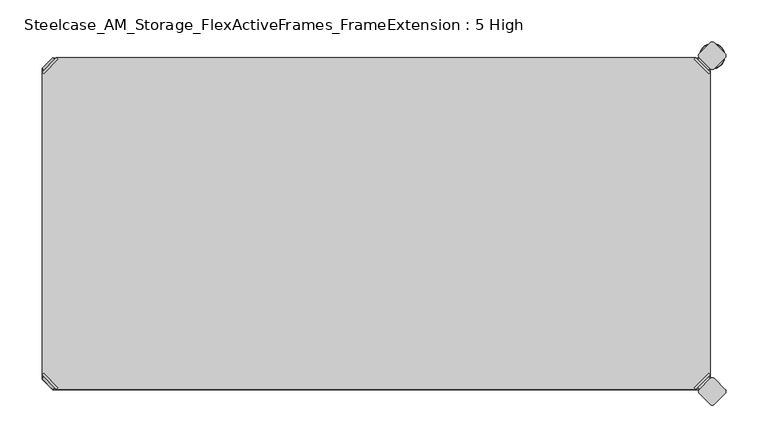
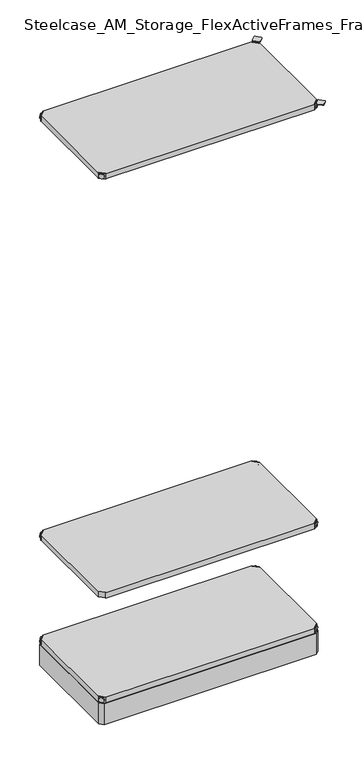
"""IFC4 building model written with IfcOpenShell, lengths in millimetres: furniture geometry, Steelcase_AM_Storage_FlexActiveFrames_FrameExtension : 5 High."""

from ifc_helpers import new_model, si_unit, point, frame, frame_2d, origin, place, context, project, spatial, polyline, circle_curve, ellipse_curve, trimmed, segment, composite_curve, outline, extrude, source, transform, mapped, element, save
from ifc_brep_helpers import plane_surface, cylinder_surface, revolved_surface, advanced_brep


def steelcase_am_storage_flexactiveframes_frameextension_5_high_d950aea3(model_context):
    return source(origin(), model_context, "Body", "SolidModel", [
        advanced_brep(
        [(797.56, -380.2870969, 520.2936), (795.7639488, -378.4910456, 520.2936), (778.5410456, -395.7139488, 520.2936), (780.3370969, -397.51, 520.2936), (780.3370969, -397.51, 498.9576), (797.56, -380.2870969, 498.9576), (795.2347277, -382.6123691, 510.1336), (782.6623691, -395.1847277, 510.1336), (769.8079478, -352.5350447, 499.9736), (752.5850447, -369.7579478, 499.9736), (778.5410456, -395.7139488, 499.9736), (795.7639488, -378.4910456, 499.9736), (769.8079478, -352.5350447, 498.9576), (752.5850447, -369.7579478, 498.9576), (784.9772487, -397.4996073, 510.1336), (797.5496073, -384.9272487, 510.1336)],
        [
            (0, 1),
            (1, 2),
            (2, 3),
            (3, 0),
            (3, 4),
            (4, 5),
            (5, 0),
            (6, 7, circle_curve(frame((788.9485484, -388.8985484, 510.1336), z_axis=(-0.7071067811865446, 0.7071067811865505, 0.0), x_axis=(0.7071067811865505, 0.7071067811865446, 0.0)), 8.89)),
            (7, 6, circle_curve(frame((788.9485484, -388.8985484, 510.1336), z_axis=(-0.7071067811865446, 0.7071067811865505, 0.0), x_axis=(0.7071067811865505, 0.7071067811865446, 0.0)), 8.89)),
            (8, 9, circle_curve(frame((761.1964963, -361.1464963, 499.9736), z_axis=(0.0, 0.0, 1.0), x_axis=(-1.0, 0.0, 0.0)), 12.1784316)),
            (9, 10),
            (10, 11),
            (11, 8),
            (12, 5),
            (4, 13),
            (13, 12, circle_curve(frame((761.1964963, -361.1464963, 498.9576), z_axis=(0.0, 0.0, -1.0), x_axis=(-1.0, 0.0, 0.0)), 12.1784316)),
            (14, 15, circle_curve(frame((791.263428, -391.213428, 510.1336), z_axis=(0.7071067811865446, -0.7071067811865505, 0.0), x_axis=(0.7071067811865505, 0.7071067811865446, 0.0)), 8.89)),
            (15, 14, circle_curve(frame((791.263428, -391.213428, 510.1336), z_axis=(0.7071067811865446, -0.7071067811865505, 0.0), x_axis=(0.7071067811865505, 0.7071067811865446, 0.0)), 8.89)),
            (14, 7),
            (6, 15),
            (1, 11),
            (10, 2),
            (8, 12),
            (13, 9),
        ],
        [
            plane_surface(frame((819.7579872, -402.485084, 520.2936), z_axis=(0.0, 0.0, 1.0000000000000002), x_axis=(-0.7071067811865436, 0.7071067811865516, 0.0))),
            plane_surface(frame((780.3370969, -397.51, 520.2936), z_axis=(0.7071067811865447, -0.7071067811865503, 0.0), x_axis=(0.0, 0.0, -1.0))),
            plane_surface(frame((749.0180647, -361.1464963, 499.9736), z_axis=(0.0, 0.0, 1.0), x_axis=(0.0, -1.0, 0.0))),
            plane_surface(frame((749.0180647, -361.1464963, 498.9576), z_axis=(0.0, 0.0, -1.0), x_axis=(0.0, 1.0, 0.0))),
            plane_surface(frame((797.5496073, -384.9272487, 510.1336), z_axis=(0.7071067811865446, -0.7071067811865505, 0.0), x_axis=(0.0, 0.0, 1.0))),
            cylinder_surface(frame((788.9485484, -388.8985484, 510.1336), z_axis=(0.7071067811865446, -0.7071067811865505, 0.0), x_axis=(0.7071067811865505, 0.7071067811865446, 0.0)), 8.89),
            plane_surface(frame((795.7639488, -378.4910456, 520.2936), z_axis=(-0.7071067811865447, 0.7071067811865503, 0.0), x_axis=(0.0, 0.0, -1.0))),
            cylinder_surface(frame((761.1964963, -361.1464963, 498.9576), z_axis=(0.0, 0.0, 1.0), x_axis=(-1.0, 0.0, 0.0)), 12.1784316),
            plane_surface(frame((797.56, -380.2870969, 520.2936), z_axis=(0.7071067811865516, 0.7071067811865436, 0.0), x_axis=(0.0, 0.0, -1.0))),
            plane_surface(frame((778.5410456, -395.7139488, 520.2936), z_axis=(-0.7071067811865513, -0.7071067811865437, 0.0), x_axis=(0.0, 0.0, -1.0))),
        ],
        [
            (0, [[1, 2, 3, 4]]),
            (1, [[-4, 5, 6, 7], [8, 9]]),
            (2, [[10, 11, 12, 13]]),
            (3, [[14, -6, 15, 16]]),
            (4, [[17, 18]]),
            (5, [[-17, 19, -8, 20]]),
            (5, [[-18, -20, -9, -19]]),
            (6, [[-2, 21, -12, 22]]),
            (7, [[-10, 23, -16, 24]]),
            (8, [[-1, -7, -14, -23, -13, -21]]),
            (9, [[-3, -22, -11, -24, -15, -5]]),
        ],
    ),
        advanced_brep(
        [(797.56, -19.7629031, 520.2936), (780.3370969, -2.54, 520.2936), (778.5410456, -4.3360512, 520.2936), (795.7639488, -21.5589544, 520.2936), (797.56, -19.7629031, 498.9576), (780.3370969, -2.54, 498.9576), (795.2347277, -17.4376309, 510.1336), (782.6623691, -4.8652723, 510.1336), (769.8079478, -47.5149553, 499.9736), (795.7639488, -21.5589544, 499.9736), (778.5410456, -4.3360512, 499.9736), (752.5850447, -30.2920522, 499.9736), (769.8079478, -47.5149553, 498.9576), (752.5850447, -30.2920522, 498.9576), (784.9772487, -2.5503927, 510.1336), (797.5496073, -15.1227513, 510.1336)],
        [
            (0, 1),
            (1, 2),
            (2, 3),
            (3, 0),
            (0, 4),
            (4, 5),
            (5, 1),
            (6, 7, circle_curve(frame((788.9485484, -11.1514516, 510.1336), z_axis=(-0.7071067811865469, -0.7071067811865481, 0.0), x_axis=(0.7071067811865481, -0.7071067811865469, 0.0)), 8.89)),
            (7, 6, circle_curve(frame((788.9485484, -11.1514516, 510.1336), z_axis=(-0.7071067811865469, -0.7071067811865481, 0.0), x_axis=(0.7071067811865481, -0.7071067811865469, 0.0)), 8.89)),
            (8, 9),
            (9, 10),
            (10, 11),
            (11, 8, circle_curve(frame((761.1964963, -38.9035037, 499.9736), z_axis=(0.0, 0.0, 1.0), x_axis=(-1.0, 0.0, 0.0)), 12.1784316)),
            (12, 13, circle_curve(frame((761.1964963, -38.9035037, 498.9576), z_axis=(0.0, 0.0, -1.0), x_axis=(-1.0, 0.0, 0.0)), 12.1784316)),
            (13, 5),
            (4, 12),
            (14, 15, circle_curve(frame((791.263428, -8.836572, 510.1336), z_axis=(0.7071067811865469, 0.7071067811865481, 0.0), x_axis=(0.7071067811865481, -0.7071067811865469, 0.0)), 8.89)),
            (15, 14, circle_curve(frame((791.263428, -8.836572, 510.1336), z_axis=(0.7071067811865469, 0.7071067811865481, 0.0), x_axis=(0.7071067811865481, -0.7071067811865469, 0.0)), 8.89)),
            (15, 6),
            (7, 14),
            (2, 10),
            (9, 3),
            (11, 13),
            (12, 8),
        ],
        [
            plane_surface(frame((819.7579872, 2.435084, 520.2936), z_axis=(0.0, 0.0, 1.0000000000000002), x_axis=(-0.7071067811865459, -0.7071067811865492, 0.0))),
            plane_surface(frame((780.3370969, -2.54, 520.2936), z_axis=(0.707106781186547, 0.707106781186548, 0.0), x_axis=(0.0, 0.0, -1.0))),
            plane_surface(frame((749.0180647, -38.9035037, 499.9736), z_axis=(0.0, 0.0, 1.0), x_axis=(0.0, 1.0, 0.0))),
            plane_surface(frame((749.0180647, -38.9035037, 498.9576), z_axis=(0.0, 0.0, -1.0), x_axis=(0.0, -1.0, 0.0))),
            plane_surface(frame((797.5496073, -15.1227513, 510.1336), z_axis=(0.7071067811865469, 0.7071067811865481, 0.0), x_axis=(0.0, 0.0, 1.0))),
            cylinder_surface(frame((788.9485484, -11.1514516, 510.1336), z_axis=(0.7071067811865469, 0.7071067811865481, 0.0), x_axis=(0.7071067811865481, -0.7071067811865469, 0.0)), 8.89),
            plane_surface(frame((795.7639488, -21.5589544, 520.2936), z_axis=(-0.707106781186547, -0.707106781186548, 0.0), x_axis=(0.0, 0.0, -1.0))),
            cylinder_surface(frame((761.1964963, -38.9035037, 498.9576), z_axis=(0.0, 0.0, 1.0), x_axis=(-1.0, 0.0, 0.0)), 12.1784316),
            plane_surface(frame((797.56, -19.7629031, 520.2936), z_axis=(0.7071067811865492, -0.7071067811865459, 0.0), x_axis=(0.0, 0.0, -1.0))),
            plane_surface(frame((778.5410456, -4.3360512, 520.2936), z_axis=(-0.707106781186549, 0.707106781186546, 0.0), x_axis=(0.0, 0.0, -1.0))),
        ],
        [
            (0, [[1, 2, 3, 4]]),
            (1, [[5, 6, 7, -1], [8, 9]]),
            (2, [[10, 11, 12, 13]]),
            (3, [[14, 15, -6, 16]]),
            (4, [[17, 18]]),
            (5, [[19, -9, 20, -18]]),
            (5, [[-20, -8, -19, -17]]),
            (6, [[21, -11, 22, -3]]),
            (7, [[23, -14, 24, -13]]),
            (8, [[-22, -10, -24, -16, -5, -4]]),
            (9, [[-7, -15, -23, -12, -21, -2]]),
        ],
    ),
        advanced_brep(
        [(2.54, -19.7629031, 520.2936), (4.3360512, -21.5589544, 520.2936), (21.5589544, -4.3360512, 520.2936), (19.7629031, -2.54, 520.2936), (19.7629031, -2.54, 498.9576), (2.54, -19.7629031, 498.9576), (4.8652723, -17.4376309, 510.1336), (17.4376309, -4.8652723, 510.1336), (30.2920522, -47.5149553, 499.9736), (47.5149553, -30.2920522, 499.9736), (21.5589544, -4.3360512, 499.9736), (4.3360512, -21.5589544, 499.9736), (30.2920522, -47.5149553, 498.9576), (47.5149553, -30.2920522, 498.9576), (15.1227513, -2.5503927, 510.1336), (2.5503927, -15.1227513, 510.1336)],
        [
            (0, 1),
            (1, 2),
            (2, 3),
            (3, 0),
            (3, 4),
            (4, 5),
            (5, 0),
            (6, 7, circle_curve(frame((11.1514516, -11.1514516, 510.1336), z_axis=(0.7071067811865469, -0.7071067811865481, 0.0), x_axis=(-0.7071067811865481, -0.7071067811865469, 0.0)), 8.89)),
            (7, 6, circle_curve(frame((11.1514516, -11.1514516, 510.1336), z_axis=(0.7071067811865469, -0.7071067811865481, 0.0), x_axis=(-0.7071067811865481, -0.7071067811865469, 0.0)), 8.89)),
            (8, 9, circle_curve(frame((38.9035037, -38.9035037, 499.9736), z_axis=(0.0, 0.0, 1.0), x_axis=(1.0, 0.0, 0.0)), 12.1784316)),
            (9, 10),
            (10, 11),
            (11, 8),
            (12, 5),
            (4, 13),
            (13, 12, circle_curve(frame((38.9035037, -38.9035037, 498.9576), z_axis=(0.0, 0.0, -1.0), x_axis=(1.0, 0.0, 0.0)), 12.1784316)),
            (14, 15, circle_curve(frame((8.836572, -8.836572, 510.1336), z_axis=(-0.7071067811865469, 0.7071067811865481, 0.0), x_axis=(-0.7071067811865481, -0.7071067811865469, 0.0)), 8.89)),
            (15, 14, circle_curve(frame((8.836572, -8.836572, 510.1336), z_axis=(-0.7071067811865469, 0.7071067811865481, 0.0), x_axis=(-0.7071067811865481, -0.7071067811865469, 0.0)), 8.89)),
            (14, 7),
            (6, 15),
            (1, 11),
            (10, 2),
            (8, 12),
            (13, 9),
        ],
        [
            plane_surface(frame((-19.6579872, 2.435084, 520.2936), z_axis=(0.0, 0.0, 1.0000000000000002), x_axis=(0.7071067811865459, -0.7071067811865492, 0.0))),
            plane_surface(frame((19.7629031, -2.54, 520.2936), z_axis=(-0.707106781186547, 0.707106781186548, 0.0), x_axis=(0.0, 0.0, -1.0))),
            plane_surface(frame((51.0819353, -38.9035037, 499.9736), z_axis=(0.0, 0.0, 1.0), x_axis=(0.0, 1.0, 0.0))),
            plane_surface(frame((51.0819353, -38.9035037, 498.9576), z_axis=(0.0, 0.0, -1.0), x_axis=(0.0, -1.0, 0.0))),
            plane_surface(frame((2.5503927, -15.1227513, 510.1336), z_axis=(-0.7071067811865469, 0.7071067811865481, 0.0), x_axis=(0.0, 0.0, 1.0))),
            cylinder_surface(frame((11.1514516, -11.1514516, 510.1336), z_axis=(-0.7071067811865469, 0.7071067811865481, 0.0), x_axis=(-0.7071067811865481, -0.7071067811865469, 0.0)), 8.89),
            plane_surface(frame((4.3360512, -21.5589544, 520.2936), z_axis=(0.707106781186547, -0.707106781186548, 0.0), x_axis=(0.0, 0.0, -1.0))),
            cylinder_surface(frame((38.9035037, -38.9035037, 498.9576), z_axis=(0.0, 0.0, 1.0), x_axis=(1.0, 0.0, 0.0)), 12.1784316),
            plane_surface(frame((2.54, -19.7629031, 520.2936), z_axis=(-0.7071067811865492, -0.7071067811865459, 0.0), x_axis=(0.0, 0.0, -1.0))),
            plane_surface(frame((21.5589544, -4.3360512, 520.2936), z_axis=(0.707106781186549, 0.707106781186546, 0.0), x_axis=(0.0, 0.0, -1.0))),
        ],
        [
            (0, [[1, 2, 3, 4]]),
            (1, [[-4, 5, 6, 7], [8, 9]]),
            (2, [[10, 11, 12, 13]]),
            (3, [[14, -6, 15, 16]]),
            (4, [[17, 18]]),
            (5, [[-17, 19, -8, 20]]),
            (5, [[-18, -20, -9, -19]]),
            (6, [[-2, 21, -12, 22]]),
            (7, [[-10, 23, -16, 24]]),
            (8, [[-1, -7, -14, -23, -13, -21]]),
            (9, [[-3, -22, -11, -24, -15, -5]]),
        ],
    ),
        extrude(outline(polyline([(19.7629031, -2.54), (780.3370969, -2.54), (778.5410456, -4.3360512), (795.7639488, -21.5589544), (797.56, -19.7629031), (797.56, -380.2870969), (795.7639488, -378.4910456), (778.5410456, -395.7139488), (780.3370969, -397.51), (19.7629031, -397.51), (21.5589544, -395.7139488), (4.3360512, -378.4910456), (2.54, -380.2870969), (2.54, -19.7629031), (4.3360512, -21.5589544), (21.5589544, -4.3360512), (19.7629031, -2.54)])), frame((0.0, 0.0, 499.9736), z_axis=(0.0, 0.0, 1.0), x_axis=(1.0, 0.0, 0.0)), (0.0, 0.0, 1.0), 20.32),
        advanced_brep(
        [(2.54, -380.2870969, 2127.25), (19.7629031, -397.51, 2127.25), (21.5589544, -395.7139488, 2127.25), (4.3360512, -378.4910456, 2127.25), (2.54, -380.2870969, 2105.914), (19.7629031, -397.51, 2105.914), (4.8652723, -382.6123691, 2117.09), (17.4376309, -395.1847277, 2117.09), (30.2920522, -352.5350447, 2106.93), (4.3360512, -378.4910456, 2106.93), (21.5589544, -395.7139488, 2106.93), (47.5149553, -369.7579478, 2106.93), (30.2920522, -352.5350447, 2105.914), (47.5149553, -369.7579478, 2105.914), (15.1227513, -397.4996073, 2117.09), (2.5503927, -384.9272487, 2117.09)],
        [
            (0, 1),
            (1, 2),
            (2, 3),
            (3, 0),
            (0, 4),
            (4, 5),
            (5, 1),
            (6, 7, circle_curve(frame((11.1514516, -388.8985484, 2117.09), z_axis=(0.7071067811865446, 0.7071067811865505, 0.0), x_axis=(-0.7071067811865505, 0.7071067811865446, 0.0)), 8.89)),
            (7, 6, circle_curve(frame((11.1514516, -388.8985484, 2117.09), z_axis=(0.7071067811865446, 0.7071067811865505, 0.0), x_axis=(-0.7071067811865505, 0.7071067811865446, 0.0)), 8.89)),
            (8, 9),
            (9, 10),
            (10, 11),
            (11, 8, circle_curve(frame((38.9035037, -361.1464963, 2106.93), z_axis=(0.0, 0.0, 1.0), x_axis=(1.0, 0.0, 0.0)), 12.1784316)),
            (12, 13, circle_curve(frame((38.9035037, -361.1464963, 2105.914), z_axis=(0.0, 0.0, -1.0), x_axis=(1.0, 0.0, 0.0)), 12.1784316)),
            (13, 5),
            (4, 12),
            (14, 15, circle_curve(frame((8.836572, -391.213428, 2117.09), z_axis=(-0.7071067811865446, -0.7071067811865505, 0.0), x_axis=(-0.7071067811865505, 0.7071067811865446, 0.0)), 8.89)),
            (15, 14, circle_curve(frame((8.836572, -391.213428, 2117.09), z_axis=(-0.7071067811865446, -0.7071067811865505, 0.0), x_axis=(-0.7071067811865505, 0.7071067811865446, 0.0)), 8.89)),
            (15, 6),
            (7, 14),
            (2, 10),
            (9, 3),
            (11, 13),
            (12, 8),
        ],
        [
            plane_surface(frame((-19.6579872, -402.485084, 2127.25), z_axis=(0.0, 0.0, 1.0000000000000002), x_axis=(0.7071067811865436, 0.7071067811865516, 0.0))),
            plane_surface(frame((19.7629031, -397.51, 2127.25), z_axis=(-0.7071067811865447, -0.7071067811865503, 0.0), x_axis=(0.0, 0.0, -1.0))),
            plane_surface(frame((51.0819353, -361.1464963, 2106.93), z_axis=(0.0, 0.0, 1.0), x_axis=(0.0, -1.0, 0.0))),
            plane_surface(frame((51.0819353, -361.1464963, 2105.914), z_axis=(0.0, 0.0, -1.0), x_axis=(0.0, 1.0, 0.0))),
            plane_surface(frame((2.5503927, -384.9272487, 2117.09), z_axis=(-0.7071067811865446, -0.7071067811865505, 0.0), x_axis=(0.0, 0.0, 1.0))),
            cylinder_surface(frame((11.1514516, -388.8985484, 2117.09), z_axis=(-0.7071067811865446, -0.7071067811865505, 0.0), x_axis=(-0.7071067811865505, 0.7071067811865446, 0.0)), 8.89),
            plane_surface(frame((4.3360512, -378.4910456, 2127.25), z_axis=(0.7071067811865447, 0.7071067811865503, 0.0), x_axis=(0.0, 0.0, -1.0))),
            cylinder_surface(frame((38.9035037, -361.1464963, 2105.914), z_axis=(0.0, 0.0, 1.0), x_axis=(1.0, 0.0, 0.0)), 12.1784316),
            plane_surface(frame((2.54, -380.2870969, 2127.25), z_axis=(-0.7071067811865516, 0.7071067811865436, 0.0), x_axis=(0.0, 0.0, -1.0))),
            plane_surface(frame((21.5589544, -395.7139488, 2127.25), z_axis=(0.7071067811865513, -0.7071067811865437, 0.0), x_axis=(0.0, 0.0, -1.0))),
        ],
        [
            (0, [[1, 2, 3, 4]]),
            (1, [[5, 6, 7, -1], [8, 9]]),
            (2, [[10, 11, 12, 13]]),
            (3, [[14, 15, -6, 16]]),
            (4, [[17, 18]]),
            (5, [[19, -9, 20, -18]]),
            (5, [[-20, -8, -19, -17]]),
            (6, [[21, -11, 22, -3]]),
            (7, [[23, -14, 24, -13]]),
            (8, [[-22, -10, -24, -16, -5, -4]]),
            (9, [[-7, -15, -23, -12, -21, -2]]),
        ],
    ),
        advanced_brep(
        [(797.56, -380.2870969, 2127.25), (795.7639488, -378.4910456, 2127.25), (778.5410456, -395.7139488, 2127.25), (780.3370969, -397.51, 2127.25), (780.3370969, -397.51, 2105.914), (797.56, -380.2870969, 2105.914), (795.2347277, -382.6123691, 2117.09), (782.6623691, -395.1847277, 2117.09), (769.8079478, -352.5350447, 2106.93), (752.5850447, -369.7579478, 2106.93), (778.5410456, -395.7139488, 2106.93), (795.7639488, -378.4910456, 2106.93), (769.8079478, -352.5350447, 2105.914), (752.5850447, -369.7579478, 2105.914), (784.9772487, -397.4996073, 2117.09), (797.5496073, -384.9272487, 2117.09)],
        [
            (0, 1),
            (1, 2),
            (2, 3),
            (3, 0),
            (3, 4),
            (4, 5),
            (5, 0),
            (6, 7, circle_curve(frame((788.9485484, -388.8985484, 2117.09), z_axis=(-0.7071067811865446, 0.7071067811865505, 0.0), x_axis=(0.7071067811865505, 0.7071067811865446, 0.0)), 8.89)),
            (7, 6, circle_curve(frame((788.9485484, -388.8985484, 2117.09), z_axis=(-0.7071067811865446, 0.7071067811865505, 0.0), x_axis=(0.7071067811865505, 0.7071067811865446, 0.0)), 8.89)),
            (8, 9, circle_curve(frame((761.1964963, -361.1464963, 2106.93), z_axis=(0.0, 0.0, 1.0), x_axis=(-1.0, 0.0, 0.0)), 12.1784316)),
            (9, 10),
            (10, 11),
            (11, 8),
            (12, 5),
            (4, 13),
            (13, 12, circle_curve(frame((761.1964963, -361.1464963, 2105.914), z_axis=(0.0, 0.0, -1.0), x_axis=(-1.0, 0.0, 0.0)), 12.1784316)),
            (14, 15, circle_curve(frame((791.263428, -391.213428, 2117.09), z_axis=(0.7071067811865446, -0.7071067811865505, 0.0), x_axis=(0.7071067811865505, 0.7071067811865446, 0.0)), 8.89)),
            (15, 14, circle_curve(frame((791.263428, -391.213428, 2117.09), z_axis=(0.7071067811865446, -0.7071067811865505, 0.0), x_axis=(0.7071067811865505, 0.7071067811865446, 0.0)), 8.89)),
            (14, 7),
            (6, 15),
            (1, 11),
            (10, 2),
            (8, 12),
            (13, 9),
        ],
        [
            plane_surface(frame((819.7579872, -402.485084, 2127.25), z_axis=(0.0, 0.0, 1.0000000000000002), x_axis=(-0.7071067811865436, 0.7071067811865516, 0.0))),
            plane_surface(frame((780.3370969, -397.51, 2127.25), z_axis=(0.7071067811865447, -0.7071067811865503, 0.0), x_axis=(0.0, 0.0, -1.0))),
            plane_surface(frame((749.0180647, -361.1464963, 2106.93), z_axis=(0.0, 0.0, 1.0), x_axis=(0.0, -1.0, 0.0))),
            plane_surface(frame((749.0180647, -361.1464963, 2105.914), z_axis=(0.0, 0.0, -1.0), x_axis=(0.0, 1.0, 0.0))),
            plane_surface(frame((797.5496073, -384.9272487, 2117.09), z_axis=(0.7071067811865446, -0.7071067811865505, 0.0), x_axis=(0.0, 0.0, 1.0))),
            cylinder_surface(frame((788.9485484, -388.8985484, 2117.09), z_axis=(0.7071067811865446, -0.7071067811865505, 0.0), x_axis=(0.7071067811865505, 0.7071067811865446, 0.0)), 8.89),
            plane_surface(frame((795.7639488, -378.4910456, 2127.25), z_axis=(-0.7071067811865447, 0.7071067811865503, 0.0), x_axis=(0.0, 0.0, -1.0))),
            cylinder_surface(frame((761.1964963, -361.1464963, 2105.914), z_axis=(0.0, 0.0, 1.0), x_axis=(-1.0, 0.0, 0.0)), 12.1784316),
            plane_surface(frame((797.56, -380.2870969, 2127.25), z_axis=(0.7071067811865516, 0.7071067811865436, 0.0), x_axis=(0.0, 0.0, -1.0))),
            plane_surface(frame((778.5410456, -395.7139488, 2127.25), z_axis=(-0.7071067811865513, -0.7071067811865437, 0.0), x_axis=(0.0, 0.0, -1.0))),
        ],
        [
            (0, [[1, 2, 3, 4]]),
            (1, [[-4, 5, 6, 7], [8, 9]]),
            (2, [[10, 11, 12, 13]]),
            (3, [[14, -6, 15, 16]]),
            (4, [[17, 18]]),
            (5, [[-17, 19, -8, 20]]),
            (5, [[-18, -20, -9, -19]]),
            (6, [[-2, 21, -12, 22]]),
            (7, [[-10, 23, -16, 24]]),
            (8, [[-1, -7, -14, -23, -13, -21]]),
            (9, [[-3, -22, -11, -24, -15, -5]]),
        ],
    ),
        advanced_brep(
        [(797.56, -19.7629031, 2127.25), (780.3370969, -2.54, 2127.25), (778.5410456, -4.3360512, 2127.25), (795.7639488, -21.5589544, 2127.25), (797.56, -19.7629031, 2105.914), (780.3370969, -2.54, 2105.914), (795.2347277, -17.4376309, 2117.09), (782.6623691, -4.8652723, 2117.09), (769.8079478, -47.5149553, 2106.93), (795.7639488, -21.5589544, 2106.93), (778.5410456, -4.3360512, 2106.93), (752.5850447, -30.2920522, 2106.93), (769.8079478, -47.5149553, 2105.914), (752.5850447, -30.2920522, 2105.914), (784.9772487, -2.5503927, 2117.09), (797.5496073, -15.1227513, 2117.09)],
        [
            (0, 1),
            (1, 2),
            (2, 3),
            (3, 0),
            (0, 4),
            (4, 5),
            (5, 1),
            (6, 7, circle_curve(frame((788.9485484, -11.1514516, 2117.09), z_axis=(-0.7071067811865469, -0.7071067811865481, 0.0), x_axis=(0.7071067811865481, -0.7071067811865469, 0.0)), 8.89)),
            (7, 6, circle_curve(frame((788.9485484, -11.1514516, 2117.09), z_axis=(-0.7071067811865469, -0.7071067811865481, 0.0), x_axis=(0.7071067811865481, -0.7071067811865469, 0.0)), 8.89)),
            (8, 9),
            (9, 10),
            (10, 11),
            (11, 8, circle_curve(frame((761.1964963, -38.9035037, 2106.93), z_axis=(0.0, 0.0, 1.0), x_axis=(-1.0, 0.0, 0.0)), 12.1784316)),
            (12, 13, circle_curve(frame((761.1964963, -38.9035037, 2105.914), z_axis=(0.0, 0.0, -1.0), x_axis=(-1.0, 0.0, 0.0)), 12.1784316)),
            (13, 5),
            (4, 12),
            (14, 15, circle_curve(frame((791.263428, -8.836572, 2117.09), z_axis=(0.7071067811865469, 0.7071067811865481, 0.0), x_axis=(0.7071067811865481, -0.7071067811865469, 0.0)), 8.89)),
            (15, 14, circle_curve(frame((791.263428, -8.836572, 2117.09), z_axis=(0.7071067811865469, 0.7071067811865481, 0.0), x_axis=(0.7071067811865481, -0.7071067811865469, 0.0)), 8.89)),
            (15, 6),
            (7, 14),
            (2, 10),
            (9, 3),
            (11, 13),
            (12, 8),
        ],
        [
            plane_surface(frame((819.7579872, 2.435084, 2127.25), z_axis=(0.0, 0.0, 1.0000000000000002), x_axis=(-0.7071067811865459, -0.7071067811865492, 0.0))),
            plane_surface(frame((780.3370969, -2.54, 2127.25), z_axis=(0.707106781186547, 0.707106781186548, 0.0), x_axis=(0.0, 0.0, -1.0))),
            plane_surface(frame((749.0180647, -38.9035037, 2106.93), z_axis=(0.0, 0.0, 1.0), x_axis=(0.0, 1.0, 0.0))),
            plane_surface(frame((749.0180647, -38.9035037, 2105.914), z_axis=(0.0, 0.0, -1.0), x_axis=(0.0, -1.0, 0.0))),
            plane_surface(frame((797.5496073, -15.1227513, 2117.09), z_axis=(0.7071067811865469, 0.7071067811865481, 0.0), x_axis=(0.0, 0.0, 1.0))),
            cylinder_surface(frame((788.9485484, -11.1514516, 2117.09), z_axis=(0.7071067811865469, 0.7071067811865481, 0.0), x_axis=(0.7071067811865481, -0.7071067811865469, 0.0)), 8.89),
            plane_surface(frame((795.7639488, -21.5589544, 2127.25), z_axis=(-0.707106781186547, -0.707106781186548, 0.0), x_axis=(0.0, 0.0, -1.0))),
            cylinder_surface(frame((761.1964963, -38.9035037, 2105.914), z_axis=(0.0, 0.0, 1.0), x_axis=(-1.0, 0.0, 0.0)), 12.1784316),
            plane_surface(frame((797.56, -19.7629031, 2127.25), z_axis=(0.7071067811865492, -0.7071067811865459, 0.0), x_axis=(0.0, 0.0, -1.0))),
            plane_surface(frame((778.5410456, -4.3360512, 2127.25), z_axis=(-0.707106781186549, 0.707106781186546, 0.0), x_axis=(0.0, 0.0, -1.0))),
        ],
        [
            (0, [[1, 2, 3, 4]]),
            (1, [[5, 6, 7, -1], [8, 9]]),
            (2, [[10, 11, 12, 13]]),
            (3, [[14, 15, -6, 16]]),
            (4, [[17, 18]]),
            (5, [[19, -9, 20, -18]]),
            (5, [[-20, -8, -19, -17]]),
            (6, [[21, -11, 22, -3]]),
            (7, [[23, -14, 24, -13]]),
            (8, [[-22, -10, -24, -16, -5, -4]]),
            (9, [[-7, -15, -23, -12, -21, -2]]),
        ],
    ),
        advanced_brep(
        [(2.54, -19.7629031, 2127.25), (4.3360512, -21.5589544, 2127.25), (21.5589544, -4.3360512, 2127.25), (19.7629031, -2.54, 2127.25), (19.7629031, -2.54, 2105.914), (2.54, -19.7629031, 2105.914), (4.8652723, -17.4376309, 2117.09), (17.4376309, -4.8652723, 2117.09), (30.2920522, -47.5149553, 2106.93), (47.5149553, -30.2920522, 2106.93), (21.5589544, -4.3360512, 2106.93), (4.3360512, -21.5589544, 2106.93), (30.2920522, -47.5149553, 2105.914), (47.5149553, -30.2920522, 2105.914), (15.1227513, -2.5503927, 2117.09), (2.5503927, -15.1227513, 2117.09)],
        [
            (0, 1),
            (1, 2),
            (2, 3),
            (3, 0),
            (3, 4),
            (4, 5),
            (5, 0),
            (6, 7, circle_curve(frame((11.1514516, -11.1514516, 2117.09), z_axis=(0.7071067811865469, -0.7071067811865481, 0.0), x_axis=(-0.7071067811865481, -0.7071067811865469, 0.0)), 8.89)),
            (7, 6, circle_curve(frame((11.1514516, -11.1514516, 2117.09), z_axis=(0.7071067811865469, -0.7071067811865481, 0.0), x_axis=(-0.7071067811865481, -0.7071067811865469, 0.0)), 8.89)),
            (8, 9, circle_curve(frame((38.9035037, -38.9035037, 2106.93), z_axis=(0.0, 0.0, 1.0), x_axis=(1.0, 0.0, 0.0)), 12.1784316)),
            (9, 10),
            (10, 11),
            (11, 8),
            (12, 5),
            (4, 13),
            (13, 12, circle_curve(frame((38.9035037, -38.9035037, 2105.914), z_axis=(0.0, 0.0, -1.0), x_axis=(1.0, 0.0, 0.0)), 12.1784316)),
            (14, 15, circle_curve(frame((8.836572, -8.836572, 2117.09), z_axis=(-0.7071067811865469, 0.7071067811865481, 0.0), x_axis=(-0.7071067811865481, -0.7071067811865469, 0.0)), 8.89)),
            (15, 14, circle_curve(frame((8.836572, -8.836572, 2117.09), z_axis=(-0.7071067811865469, 0.7071067811865481, 0.0), x_axis=(-0.7071067811865481, -0.7071067811865469, 0.0)), 8.89)),
            (14, 7),
            (6, 15),
            (1, 11),
            (10, 2),
            (8, 12),
            (13, 9),
        ],
        [
            plane_surface(frame((-19.6579872, 2.435084, 2127.25), z_axis=(0.0, 0.0, 1.0000000000000002), x_axis=(0.7071067811865459, -0.7071067811865492, 0.0))),
            plane_surface(frame((19.7629031, -2.54, 2127.25), z_axis=(-0.707106781186547, 0.707106781186548, 0.0), x_axis=(0.0, 0.0, -1.0))),
            plane_surface(frame((51.0819353, -38.9035037, 2106.93), z_axis=(0.0, 0.0, 1.0), x_axis=(0.0, 1.0, 0.0))),
            plane_surface(frame((51.0819353, -38.9035037, 2105.914), z_axis=(0.0, 0.0, -1.0), x_axis=(0.0, -1.0, 0.0))),
            plane_surface(frame((2.5503927, -15.1227513, 2117.09), z_axis=(-0.7071067811865469, 0.7071067811865481, 0.0), x_axis=(0.0, 0.0, 1.0))),
            cylinder_surface(frame((11.1514516, -11.1514516, 2117.09), z_axis=(-0.7071067811865469, 0.7071067811865481, 0.0), x_axis=(-0.7071067811865481, -0.7071067811865469, 0.0)), 8.89),
            plane_surface(frame((4.3360512, -21.5589544, 2127.25), z_axis=(0.707106781186547, -0.707106781186548, 0.0), x_axis=(0.0, 0.0, -1.0))),
            cylinder_surface(frame((38.9035037, -38.9035037, 2105.914), z_axis=(0.0, 0.0, 1.0), x_axis=(1.0, 0.0, 0.0)), 12.1784316),
            plane_surface(frame((2.54, -19.7629031, 2127.25), z_axis=(-0.7071067811865492, -0.7071067811865459, 0.0), x_axis=(0.0, 0.0, -1.0))),
            plane_surface(frame((21.5589544, -4.3360512, 2127.25), z_axis=(0.707106781186549, 0.707106781186546, 0.0), x_axis=(0.0, 0.0, -1.0))),
        ],
        [
            (0, [[1, 2, 3, 4]]),
            (1, [[-4, 5, 6, 7], [8, 9]]),
            (2, [[10, 11, 12, 13]]),
            (3, [[14, -6, 15, 16]]),
            (4, [[17, 18]]),
            (5, [[-17, 19, -8, 20]]),
            (5, [[-18, -20, -9, -19]]),
            (6, [[-2, 21, -12, 22]]),
            (7, [[-10, 23, -16, 24]]),
            (8, [[-1, -7, -14, -23, -13, -21]]),
            (9, [[-3, -22, -11, -24, -15, -5]]),
        ],
    ),
        extrude(outline(polyline([(19.7629031, -2.54), (780.3370969, -2.54), (778.5410456, -4.3360512), (795.7639488, -21.5589544), (797.56, -19.7629031), (797.56, -380.2870969), (795.7639488, -378.4910456), (778.5410456, -395.7139488), (780.3370969, -397.51), (19.7629031, -397.51), (21.5589544, -395.7139488), (4.3360512, -378.4910456), (2.54, -380.2870969), (2.54, -19.7629031), (4.3360512, -21.5589544), (21.5589544, -4.3360512), (19.7629031, -2.54)])), frame((0.0, 0.0, 2106.93), z_axis=(0.0, 0.0, 1.0), x_axis=(1.0, 0.0, 0.0)), (0.0, 0.0, 1.0), 20.32),
        advanced_brep(
        [(2.54, -380.2870969, 118.9736), (19.7629031, -397.51, 118.9736), (21.5589544, -395.7139488, 118.9736), (4.3360512, -378.4910456, 118.9736), (2.54, -380.2870969, 97.6376), (19.7629031, -397.51, 97.6376), (4.8652723, -382.6123691, 108.8136), (17.4376309, -395.1847277, 108.8136), (30.2920522, -352.5350447, 98.6536), (4.3360512, -378.4910456, 98.6536), (21.5589544, -395.7139488, 98.6536), (47.5149553, -369.7579478, 98.6536), (30.2920522, -352.5350447, 97.6376), (47.5149553, -369.7579478, 97.6376), (15.1227513, -397.4996073, 108.8136), (2.5503927, -384.9272487, 108.8136)],
        [
            (0, 1),
            (1, 2),
            (2, 3),
            (3, 0),
            (0, 4),
            (4, 5),
            (5, 1),
            (6, 7, circle_curve(frame((11.1514516, -388.8985484, 108.8136), z_axis=(0.7071067811865446, 0.7071067811865505, 0.0), x_axis=(-0.7071067811865505, 0.7071067811865446, 0.0)), 8.89)),
            (7, 6, circle_curve(frame((11.1514516, -388.8985484, 108.8136), z_axis=(0.7071067811865446, 0.7071067811865505, 0.0), x_axis=(-0.7071067811865505, 0.7071067811865446, 0.0)), 8.89)),
            (8, 9),
            (9, 10),
            (10, 11),
            (11, 8, circle_curve(frame((38.9035037, -361.1464963, 98.6536), z_axis=(0.0, 0.0, 1.0), x_axis=(1.0, 0.0, 0.0)), 12.1784316)),
            (12, 13, circle_curve(frame((38.9035037, -361.1464963, 97.6376), z_axis=(0.0, 0.0, -1.0), x_axis=(1.0, 0.0, 0.0)), 12.1784316)),
            (13, 5),
            (4, 12),
            (14, 15, circle_curve(frame((8.836572, -391.213428, 108.8136), z_axis=(-0.7071067811865446, -0.7071067811865505, 0.0), x_axis=(-0.7071067811865505, 0.7071067811865446, 0.0)), 8.89)),
            (15, 14, circle_curve(frame((8.836572, -391.213428, 108.8136), z_axis=(-0.7071067811865446, -0.7071067811865505, 0.0), x_axis=(-0.7071067811865505, 0.7071067811865446, 0.0)), 8.89)),
            (15, 6),
            (7, 14),
            (2, 10),
            (9, 3),
            (11, 13),
            (12, 8),
        ],
        [
            plane_surface(frame((-19.6579872, -402.485084, 118.9736), z_axis=(0.0, 0.0, 1.0000000000000002), x_axis=(0.7071067811865436, 0.7071067811865516, 0.0))),
            plane_surface(frame((19.7629031, -397.51, 118.9736), z_axis=(-0.7071067811865447, -0.7071067811865503, 0.0), x_axis=(0.0, 0.0, -1.0))),
            plane_surface(frame((51.0819353, -361.1464963, 98.6536), z_axis=(0.0, 0.0, 1.0), x_axis=(0.0, -1.0, 0.0))),
            plane_surface(frame((51.0819353, -361.1464963, 97.6376), z_axis=(0.0, 0.0, -1.0), x_axis=(0.0, 1.0, 0.0))),
            plane_surface(frame((2.5503927, -384.9272487, 108.8136), z_axis=(-0.7071067811865446, -0.7071067811865505, 0.0), x_axis=(0.0, 0.0, 1.0))),
            cylinder_surface(frame((11.1514516, -388.8985484, 108.8136), z_axis=(-0.7071067811865446, -0.7071067811865505, 0.0), x_axis=(-0.7071067811865505, 0.7071067811865446, 0.0)), 8.89),
            plane_surface(frame((4.3360512, -378.4910456, 118.9736), z_axis=(0.7071067811865447, 0.7071067811865503, 0.0), x_axis=(0.0, 0.0, -1.0))),
            cylinder_surface(frame((38.9035037, -361.1464963, 97.6376), z_axis=(0.0, 0.0, 1.0), x_axis=(1.0, 0.0, 0.0)), 12.1784316),
            plane_surface(frame((2.54, -380.2870969, 118.9736), z_axis=(-0.7071067811865516, 0.7071067811865436, 0.0), x_axis=(0.0, 0.0, -1.0))),
            plane_surface(frame((21.5589544, -395.7139488, 118.9736), z_axis=(0.7071067811865513, -0.7071067811865437, 0.0), x_axis=(0.0, 0.0, -1.0))),
        ],
        [
            (0, [[1, 2, 3, 4]]),
            (1, [[5, 6, 7, -1], [8, 9]]),
            (2, [[10, 11, 12, 13]]),
            (3, [[14, 15, -6, 16]]),
            (4, [[17, 18]]),
            (5, [[19, -9, 20, -18]]),
            (5, [[-20, -8, -19, -17]]),
            (6, [[21, -11, 22, -3]]),
            (7, [[23, -14, 24, -13]]),
            (8, [[-22, -10, -24, -16, -5, -4]]),
            (9, [[-7, -15, -23, -12, -21, -2]]),
        ],
    ),
        advanced_brep(
        [(797.56, -380.2870969, 118.9736), (795.7639488, -378.4910456, 118.9736), (778.5410456, -395.7139488, 118.9736), (780.3370969, -397.51, 118.9736), (780.3370969, -397.51, 97.6376), (797.56, -380.2870969, 97.6376), (795.2347277, -382.6123691, 108.8136), (782.6623691, -395.1847277, 108.8136), (769.8079478, -352.5350447, 98.6536), (752.5850447, -369.7579478, 98.6536), (778.5410456, -395.7139488, 98.6536), (795.7639488, -378.4910456, 98.6536), (769.8079478, -352.5350447, 97.6376), (752.5850447, -369.7579478, 97.6376), (784.9772487, -397.4996073, 108.8136), (797.5496073, -384.9272487, 108.8136)],
        [
            (0, 1),
            (1, 2),
            (2, 3),
            (3, 0),
            (3, 4),
            (4, 5),
            (5, 0),
            (6, 7, circle_curve(frame((788.9485484, -388.8985484, 108.8136), z_axis=(-0.7071067811865446, 0.7071067811865505, 0.0), x_axis=(0.7071067811865505, 0.7071067811865446, 0.0)), 8.89)),
            (7, 6, circle_curve(frame((788.9485484, -388.8985484, 108.8136), z_axis=(-0.7071067811865446, 0.7071067811865505, 0.0), x_axis=(0.7071067811865505, 0.7071067811865446, 0.0)), 8.89)),
            (8, 9, circle_curve(frame((761.1964963, -361.1464963, 98.6536), z_axis=(0.0, 0.0, 1.0), x_axis=(-1.0, 0.0, 0.0)), 12.1784316)),
            (9, 10),
            (10, 11),
            (11, 8),
            (12, 5),
            (4, 13),
            (13, 12, circle_curve(frame((761.1964963, -361.1464963, 97.6376), z_axis=(0.0, 0.0, -1.0), x_axis=(-1.0, 0.0, 0.0)), 12.1784316)),
            (14, 15, circle_curve(frame((791.263428, -391.213428, 108.8136), z_axis=(0.7071067811865446, -0.7071067811865505, 0.0), x_axis=(0.7071067811865505, 0.7071067811865446, 0.0)), 8.89)),
            (15, 14, circle_curve(frame((791.263428, -391.213428, 108.8136), z_axis=(0.7071067811865446, -0.7071067811865505, 0.0), x_axis=(0.7071067811865505, 0.7071067811865446, 0.0)), 8.89)),
            (14, 7),
            (6, 15),
            (1, 11),
            (10, 2),
            (8, 12),
            (13, 9),
        ],
        [
            plane_surface(frame((819.7579872, -402.485084, 118.9736), z_axis=(0.0, 0.0, 1.0000000000000002), x_axis=(-0.7071067811865436, 0.7071067811865516, 0.0))),
            plane_surface(frame((780.3370969, -397.51, 118.9736), z_axis=(0.7071067811865447, -0.7071067811865503, 0.0), x_axis=(0.0, 0.0, -1.0))),
            plane_surface(frame((749.0180647, -361.1464963, 98.6536), z_axis=(0.0, 0.0, 1.0), x_axis=(0.0, -1.0, 0.0))),
            plane_surface(frame((749.0180647, -361.1464963, 97.6376), z_axis=(0.0, 0.0, -1.0), x_axis=(0.0, 1.0, 0.0))),
            plane_surface(frame((797.5496073, -384.9272487, 108.8136), z_axis=(0.7071067811865446, -0.7071067811865505, 0.0), x_axis=(0.0, 0.0, 1.0))),
            cylinder_surface(frame((788.9485484, -388.8985484, 108.8136), z_axis=(0.7071067811865446, -0.7071067811865505, 0.0), x_axis=(0.7071067811865505, 0.7071067811865446, 0.0)), 8.89),
            plane_surface(frame((795.7639488, -378.4910456, 118.9736), z_axis=(-0.7071067811865447, 0.7071067811865503, 0.0), x_axis=(0.0, 0.0, -1.0))),
            cylinder_surface(frame((761.1964963, -361.1464963, 97.6376), z_axis=(0.0, 0.0, 1.0), x_axis=(-1.0, 0.0, 0.0)), 12.1784316),
            plane_surface(frame((797.56, -380.2870969, 118.9736), z_axis=(0.7071067811865516, 0.7071067811865436, 0.0), x_axis=(0.0, 0.0, -1.0))),
            plane_surface(frame((778.5410456, -395.7139488, 118.9736), z_axis=(-0.7071067811865513, -0.7071067811865437, 0.0), x_axis=(0.0, 0.0, -1.0))),
        ],
        [
            (0, [[1, 2, 3, 4]]),
            (1, [[-4, 5, 6, 7], [8, 9]]),
            (2, [[10, 11, 12, 13]]),
            (3, [[14, -6, 15, 16]]),
            (4, [[17, 18]]),
            (5, [[-17, 19, -8, 20]]),
            (5, [[-18, -20, -9, -19]]),
            (6, [[-2, 21, -12, 22]]),
            (7, [[-10, 23, -16, 24]]),
            (8, [[-1, -7, -14, -23, -13, -21]]),
            (9, [[-3, -22, -11, -24, -15, -5]]),
        ],
    ),
        advanced_brep(
        [(797.56, -19.7629031, 118.9736), (780.3370969, -2.54, 118.9736), (778.5410456, -4.3360512, 118.9736), (795.7639488, -21.5589544, 118.9736), (797.56, -19.7629031, 97.6376), (780.3370969, -2.54, 97.6376), (795.2347277, -17.4376309, 108.8136), (782.6623691, -4.8652723, 108.8136), (769.8079478, -47.5149553, 98.6536), (795.7639488, -21.5589544, 98.6536), (778.5410456, -4.3360512, 98.6536), (752.5850447, -30.2920522, 98.6536), (769.8079478, -47.5149553, 97.6376), (752.5850447, -30.2920522, 97.6376), (784.9772487, -2.5503927, 108.8136), (797.5496073, -15.1227513, 108.8136)],
        [
            (0, 1),
            (1, 2),
            (2, 3),
            (3, 0),
            (0, 4),
            (4, 5),
            (5, 1),
            (6, 7, circle_curve(frame((788.9485484, -11.1514516, 108.8136), z_axis=(-0.7071067811865469, -0.7071067811865481, 0.0), x_axis=(0.7071067811865481, -0.7071067811865469, 0.0)), 8.89)),
            (7, 6, circle_curve(frame((788.9485484, -11.1514516, 108.8136), z_axis=(-0.7071067811865469, -0.7071067811865481, 0.0), x_axis=(0.7071067811865481, -0.7071067811865469, 0.0)), 8.89)),
            (8, 9),
            (9, 10),
            (10, 11),
            (11, 8, circle_curve(frame((761.1964963, -38.9035037, 98.6536), z_axis=(0.0, 0.0, 1.0), x_axis=(-1.0, 0.0, 0.0)), 12.1784316)),
            (12, 13, circle_curve(frame((761.1964963, -38.9035037, 97.6376), z_axis=(0.0, 0.0, -1.0), x_axis=(-1.0, 0.0, 0.0)), 12.1784316)),
            (13, 5),
            (4, 12),
            (14, 15, circle_curve(frame((791.263428, -8.836572, 108.8136), z_axis=(0.7071067811865469, 0.7071067811865481, 0.0), x_axis=(0.7071067811865481, -0.7071067811865469, 0.0)), 8.89)),
            (15, 14, circle_curve(frame((791.263428, -8.836572, 108.8136), z_axis=(0.7071067811865469, 0.7071067811865481, 0.0), x_axis=(0.7071067811865481, -0.7071067811865469, 0.0)), 8.89)),
            (15, 6),
            (7, 14),
            (2, 10),
            (9, 3),
            (11, 13),
            (12, 8),
        ],
        [
            plane_surface(frame((819.7579872, 2.435084, 118.9736), z_axis=(0.0, 0.0, 1.0000000000000002), x_axis=(-0.7071067811865459, -0.7071067811865492, 0.0))),
            plane_surface(frame((780.3370969, -2.54, 118.9736), z_axis=(0.707106781186547, 0.707106781186548, 0.0), x_axis=(0.0, 0.0, -1.0))),
            plane_surface(frame((749.0180647, -38.9035037, 98.6536), z_axis=(0.0, 0.0, 1.0), x_axis=(0.0, 1.0, 0.0))),
            plane_surface(frame((749.0180647, -38.9035037, 97.6376), z_axis=(0.0, 0.0, -1.0), x_axis=(0.0, -1.0, 0.0))),
            plane_surface(frame((797.5496073, -15.1227513, 108.8136), z_axis=(0.7071067811865469, 0.7071067811865481, 0.0), x_axis=(0.0, 0.0, 1.0))),
            cylinder_surface(frame((788.9485484, -11.1514516, 108.8136), z_axis=(0.7071067811865469, 0.7071067811865481, 0.0), x_axis=(0.7071067811865481, -0.7071067811865469, 0.0)), 8.89),
            plane_surface(frame((795.7639488, -21.5589544, 118.9736), z_axis=(-0.707106781186547, -0.707106781186548, 0.0), x_axis=(0.0, 0.0, -1.0))),
            cylinder_surface(frame((761.1964963, -38.9035037, 97.6376), z_axis=(0.0, 0.0, 1.0), x_axis=(-1.0, 0.0, 0.0)), 12.1784316),
            plane_surface(frame((797.56, -19.7629031, 118.9736), z_axis=(0.7071067811865492, -0.7071067811865459, 0.0), x_axis=(0.0, 0.0, -1.0))),
            plane_surface(frame((778.5410456, -4.3360512, 118.9736), z_axis=(-0.707106781186549, 0.707106781186546, 0.0), x_axis=(0.0, 0.0, -1.0))),
        ],
        [
            (0, [[1, 2, 3, 4]]),
            (1, [[5, 6, 7, -1], [8, 9]]),
            (2, [[10, 11, 12, 13]]),
            (3, [[14, 15, -6, 16]]),
            (4, [[17, 18]]),
            (5, [[19, -9, 20, -18]]),
            (5, [[-20, -8, -19, -17]]),
            (6, [[21, -11, 22, -3]]),
            (7, [[23, -14, 24, -13]]),
            (8, [[-22, -10, -24, -16, -5, -4]]),
            (9, [[-7, -15, -23, -12, -21, -2]]),
        ],
    ),
        advanced_brep(
        [(2.54, -19.7629031, 118.9736), (4.3360512, -21.5589544, 118.9736), (21.5589544, -4.3360512, 118.9736), (19.7629031, -2.54, 118.9736), (19.7629031, -2.54, 97.6376), (2.54, -19.7629031, 97.6376), (4.8652723, -17.4376309, 108.8136), (17.4376309, -4.8652723, 108.8136), (30.2920522, -47.5149553, 98.6536), (47.5149553, -30.2920522, 98.6536), (21.5589544, -4.3360512, 98.6536), (4.3360512, -21.5589544, 98.6536), (30.2920522, -47.5149553, 97.6376), (47.5149553, -30.2920522, 97.6376), (15.1227513, -2.5503927, 108.8136), (2.5503927, -15.1227513, 108.8136)],
        [
            (0, 1),
            (1, 2),
            (2, 3),
            (3, 0),
            (3, 4),
            (4, 5),
            (5, 0),
            (6, 7, circle_curve(frame((11.1514516, -11.1514516, 108.8136), z_axis=(0.7071067811865469, -0.7071067811865481, 0.0), x_axis=(-0.7071067811865481, -0.7071067811865469, 0.0)), 8.89)),
            (7, 6, circle_curve(frame((11.1514516, -11.1514516, 108.8136), z_axis=(0.7071067811865469, -0.7071067811865481, 0.0), x_axis=(-0.7071067811865481, -0.7071067811865469, 0.0)), 8.89)),
            (8, 9, circle_curve(frame((38.9035037, -38.9035037, 98.6536), z_axis=(0.0, 0.0, 1.0), x_axis=(1.0, 0.0, 0.0)), 12.1784316)),
            (9, 10),
            (10, 11),
            (11, 8),
            (12, 5),
            (4, 13),
            (13, 12, circle_curve(frame((38.9035037, -38.9035037, 97.6376), z_axis=(0.0, 0.0, -1.0), x_axis=(1.0, 0.0, 0.0)), 12.1784316)),
            (14, 15, circle_curve(frame((8.836572, -8.836572, 108.8136), z_axis=(-0.7071067811865469, 0.7071067811865481, 0.0), x_axis=(-0.7071067811865481, -0.7071067811865469, 0.0)), 8.89)),
            (15, 14, circle_curve(frame((8.836572, -8.836572, 108.8136), z_axis=(-0.7071067811865469, 0.7071067811865481, 0.0), x_axis=(-0.7071067811865481, -0.7071067811865469, 0.0)), 8.89)),
            (14, 7),
            (6, 15),
            (1, 11),
            (10, 2),
            (8, 12),
            (13, 9),
        ],
        [
            plane_surface(frame((-19.6579872, 2.435084, 118.9736), z_axis=(0.0, 0.0, 1.0000000000000002), x_axis=(0.7071067811865459, -0.7071067811865492, 0.0))),
            plane_surface(frame((19.7629031, -2.54, 118.9736), z_axis=(-0.707106781186547, 0.707106781186548, 0.0), x_axis=(0.0, 0.0, -1.0))),
            plane_surface(frame((51.0819353, -38.9035037, 98.6536), z_axis=(0.0, 0.0, 1.0), x_axis=(0.0, 1.0, 0.0))),
            plane_surface(frame((51.0819353, -38.9035037, 97.6376), z_axis=(0.0, 0.0, -1.0), x_axis=(0.0, -1.0, 0.0))),
            plane_surface(frame((2.5503927, -15.1227513, 108.8136), z_axis=(-0.7071067811865469, 0.7071067811865481, 0.0), x_axis=(0.0, 0.0, 1.0))),
            cylinder_surface(frame((11.1514516, -11.1514516, 108.8136), z_axis=(-0.7071067811865469, 0.7071067811865481, 0.0), x_axis=(-0.7071067811865481, -0.7071067811865469, 0.0)), 8.89),
            plane_surface(frame((4.3360512, -21.5589544, 118.9736), z_axis=(0.707106781186547, -0.707106781186548, 0.0), x_axis=(0.0, 0.0, -1.0))),
            cylinder_surface(frame((38.9035037, -38.9035037, 97.6376), z_axis=(0.0, 0.0, 1.0), x_axis=(1.0, 0.0, 0.0)), 12.1784316),
            plane_surface(frame((2.54, -19.7629031, 118.9736), z_axis=(-0.7071067811865492, -0.7071067811865459, 0.0), x_axis=(0.0, 0.0, -1.0))),
            plane_surface(frame((21.5589544, -4.3360512, 118.9736), z_axis=(0.707106781186549, 0.707106781186546, 0.0), x_axis=(0.0, 0.0, -1.0))),
        ],
        [
            (0, [[1, 2, 3, 4]]),
            (1, [[-4, 5, 6, 7], [8, 9]]),
            (2, [[10, 11, 12, 13]]),
            (3, [[14, -6, 15, 16]]),
            (4, [[17, 18]]),
            (5, [[-17, 19, -8, 20]]),
            (5, [[-18, -20, -9, -19]]),
            (6, [[-2, 21, -12, 22]]),
            (7, [[-10, 23, -16, 24]]),
            (8, [[-1, -7, -14, -23, -13, -21]]),
            (9, [[-3, -22, -11, -24, -15, -5]]),
        ],
    ),
        extrude(outline(polyline([(19.7629031, -2.54), (780.3370969, -2.54), (778.5410456, -4.3360512), (795.7639488, -21.5589544), (797.56, -19.7629031), (797.56, -380.2870969), (795.7639488, -378.4910456), (778.5410456, -395.7139488), (780.3370969, -397.51), (19.7629031, -397.51), (21.5589544, -395.7139488), (4.3360512, -378.4910456), (2.54, -380.2870969), (2.54, -19.7629031), (4.3360512, -21.5589544), (21.5589544, -4.3360512), (19.7629031, -2.54)])), frame((0.0, 0.0, 98.6536), z_axis=(0.0, 0.0, 1.0), x_axis=(1.0, 0.0, 0.0)), (0.0, 0.0, 1.0), 20.32),
        extrude(outline(composite_curve([segment(trimmed(circle_curve(frame_2d((800.1, -13.1875415)), 3.175), [point((802.345064, -15.4326055))], [point((797.854936, -15.4326055))], False, "CARTESIAN"), True, "CONTINUOUS"), segment(polyline([(797.854936, -15.4326055), (784.6673945, -2.245064)]), True, "CONTINUOUS"), segment(trimmed(circle_curve(frame_2d((786.9124585, 0.0)), 3.175), [point((784.6673945, -2.245064))], [point((784.6673945, 2.245064))], False, "CARTESIAN"), True, "CONTINUOUS"), segment(polyline([(784.6673945, 2.245064), (797.854936, 15.4326055)]), True, "CONTINUOUS"), segment(trimmed(circle_curve(frame_2d((800.1, 13.1875415)), 3.175), [point((797.854936, 15.4326055))], [point((802.345064, 15.4326055))], False, "CARTESIAN"), True, "CONTINUOUS"), segment(polyline([(802.345064, 15.4326055), (815.5326055, 2.245064)]), True, "CONTINUOUS"), segment(trimmed(circle_curve(frame_2d((813.2875415, 0.0)), 3.175), [point((815.5326055, 2.245064))], [point((815.5326055, -2.245064))], False, "CARTESIAN"), True, "CONTINUOUS"), segment(polyline([(815.5326055, -2.245064), (802.345064, -15.4326055)]), True, "CONTINUOUS")], self_intersect=False)), frame((0.0, 0.0, 2127.25), z_axis=(0.0, 0.0, 1.0), x_axis=(1.0, 0.0, 0.0)), (0.0, 0.0, 1.0), 2.032),
        extrude(outline(composite_curve([segment(polyline([(802.345064, -384.6173945), (815.5326055, -397.804936)]), True, "CONTINUOUS"), segment(trimmed(circle_curve(frame_2d((813.2875415, -400.05)), 3.175), [point((815.5326055, -397.804936))], [point((815.5326055, -402.295064))], False, "CARTESIAN"), True, "CONTINUOUS"), segment(polyline([(815.5326055, -402.295064), (802.345064, -415.4826055)]), True, "CONTINUOUS"), segment(trimmed(circle_curve(frame_2d((800.1, -413.2375415)), 3.175), [point((802.345064, -415.4826055))], [point((797.854936, -415.4826055))], False, "CARTESIAN"), True, "CONTINUOUS"), segment(polyline([(797.854936, -415.4826055), (784.6673945, -402.295064)]), True, "CONTINUOUS"), segment(trimmed(circle_curve(frame_2d((786.9124585, -400.05)), 3.175), [point((784.6673945, -402.295064))], [point((784.6673945, -397.804936))], False, "CARTESIAN"), True, "CONTINUOUS"), segment(polyline([(784.6673945, -397.804936), (797.854936, -384.6173945)]), True, "CONTINUOUS"), segment(trimmed(circle_curve(frame_2d((800.1, -386.8624585)), 3.175), [point((797.854936, -384.6173945))], [point((802.345064, -384.6173945))], False, "CARTESIAN"), True, "CONTINUOUS")], self_intersect=False)), frame((0.0, 0.0, 2127.25), z_axis=(0.0, 0.0, 1.0), x_axis=(1.0, 0.0, 0.0)), (0.0, 0.0, 1.0), 2.032),
        extrude(outline(polyline([(2.54, -384.9123305), (2.54, -15.1376695), (15.1376695, -2.54), (784.9623305, -2.54), (797.56, -15.1376695), (797.56, -384.9123305), (784.9623305, -397.51), (15.1376695, -397.51), (2.54, -384.9123305)]), holes=[polyline([(12.7, -15.748), (12.7, -387.35), (787.4, -387.35), (787.4, -15.748), (12.7, -15.748)])]), frame((0.0, 0.0, 15.9766), z_axis=(0.0, 0.0, 1.0), x_axis=(1.0, 0.0, 0.0)), (0.0, 0.0, 1.0), 81.28),
        advanced_brep(
        [(800.1, 3.999659, 15.9766), (800.1, -3.999659, 15.9766), (800.1, 0.0, 15.9766), (800.1, 3.999659, 12.6000054), (800.1, -3.999659, 12.6000054), (800.1, 5.8601455, 12.6000054), (800.1, -5.8601455, 12.6000054), (800.1, 6.4951462, 11.9650074), (800.1, -6.4951462, 11.9650074), (800.1, 6.4951462, 9.0000124), (800.1, -6.4951462, 9.0000124), (800.1, 8.7421976, 9.0000124), (800.1, -8.7421976, 9.0000124), (800.1, 14.7060077, 2.3275608), (800.1, -14.7060077, 2.3275608), (800.1, 13.664601, 0.0), (800.1, -13.664601, 0.0), (800.1, 0.0, 0.0)],
        [
            (0, 1, circle_curve(frame((800.1, 0.0, 15.9766), z_axis=(0.0, 0.0, 1.0), x_axis=(0.0, -1.0, 0.0)), 3.999659)),
            (1, 2),
            (2, 0),
            (1, 0, circle_curve(frame((800.1, 0.0, 15.9766), z_axis=(0.0, 0.0, 1.0), x_axis=(0.0, -1.0, 0.0)), 3.999659)),
            (3, 4, circle_curve(frame((800.1, 0.0, 12.6000054), z_axis=(0.0, 0.0, 1.0), x_axis=(0.0, -1.0, 0.0)), 3.999659)),
            (4, 1),
            (0, 3),
            (4, 3, circle_curve(frame((800.1, 0.0, 12.6000054), z_axis=(0.0, 0.0, 1.0), x_axis=(0.0, -1.0, 0.0)), 3.999659)),
            (5, 6, circle_curve(frame((800.1, 0.0, 12.6000054), z_axis=(0.0, 0.0, 1.0), x_axis=(0.0, -1.0, 0.0)), 5.8601455)),
            (6, 4),
            (3, 5),
            (6, 5, circle_curve(frame((800.1, 0.0, 12.6000054), z_axis=(0.0, 0.0, 1.0), x_axis=(0.0, -1.0, 0.0)), 5.8601455)),
            (7, 8, circle_curve(frame((800.1, 0.0, 11.9650074), z_axis=(0.0, 0.0, 1.0), x_axis=(0.0, -1.0, 0.0)), 6.4951462)),
            (8, 6, circle_curve(frame((800.1, -5.8601462, 11.9650074), z_axis=(-1.0, 0.0, 0.0), x_axis=(0.0, -1.0, 0.0)), 0.635)),
            (5, 7, circle_curve(frame((800.1, 5.8601462, 11.9650074), z_axis=(-1.0, 0.0, 0.0), x_axis=(0.0, 1.0, 0.0)), 0.635)),
            (8, 7, circle_curve(frame((800.1, 0.0, 11.9650074), z_axis=(0.0, 0.0, 1.0), x_axis=(0.0, -1.0, 0.0)), 6.4951462)),
            (9, 10, circle_curve(frame((800.1, 0.0, 9.0000124), z_axis=(0.0, 0.0, 1.0), x_axis=(0.0, -1.0, 0.0)), 6.4951462)),
            (10, 8),
            (7, 9),
            (10, 9, circle_curve(frame((800.1, 0.0, 9.0000124), z_axis=(0.0, 0.0, 1.0), x_axis=(0.0, -1.0, 0.0)), 6.4951462)),
            (11, 12, circle_curve(frame((800.1, 0.0, 9.0000124), z_axis=(0.0, 0.0, 1.0), x_axis=(0.0, -1.0, 0.0)), 8.7421976)),
            (12, 10),
            (9, 11),
            (12, 11, circle_curve(frame((800.1, 0.0, 9.0000124), z_axis=(0.0, 0.0, 1.0), x_axis=(0.0, -1.0, 0.0)), 8.7421976)),
            (13, 14, circle_curve(frame((800.1, 0.0, 2.3275608), z_axis=(0.0, 0.0, 1.0), x_axis=(0.0, -1.0, 0.0)), 14.7060077)),
            (14, 12),
            (11, 13),
            (14, 13, circle_curve(frame((800.1, 0.0, 2.3275608), z_axis=(0.0, 0.0, 1.0), x_axis=(0.0, -1.0, 0.0)), 14.7060077)),
            (15, 16, circle_curve(frame((800.1, 0.0, 0.0), z_axis=(0.0, 0.0, 1.0), x_axis=(0.0, -1.0, 0.0)), 13.664601)),
            (16, 14, circle_curve(frame((800.1, -13.664601, 1.3967556), z_axis=(-1.0, 0.0, 0.0), x_axis=(0.0, -1.0, 0.0)), 1.3967556)),
            (13, 15, circle_curve(frame((800.1, 13.664601, 1.3967556), z_axis=(-1.0, 0.0, 0.0), x_axis=(0.0, 1.0, 0.0)), 1.3967556)),
            (16, 15, circle_curve(frame((800.1, 0.0, 0.0), z_axis=(0.0, 0.0, 1.0), x_axis=(0.0, -1.0, 0.0)), 13.664601)),
            (17, 16),
            (15, 17),
        ],
        [
            plane_surface(frame((800.1, 0.0, 15.9766), z_axis=(0.0, 0.0, 1.0), x_axis=(0.0, -1.0, 0.0))),
            cylinder_surface(frame((800.1, 0.0, -4.132372), z_axis=(0.0, 0.0, -1.0), x_axis=(0.0, -1.0, 0.0)), 3.999659),
            plane_surface(frame((800.1, 0.0, 12.6000054), z_axis=(0.0, 0.0, 1.0), x_axis=(0.0, -1.0, 0.0))),
            revolved_surface(trimmed(ellipse_curve(frame((800.1, -5.8601462, 11.9650074), z_axis=(1.0, 0.0, 0.0), x_axis=(0.0, -1.0, 0.0)), 0.635, 0.635), [point((800.1, -5.8601455, 12.6000074))], [point((800.1, -6.4951462, 11.9650074))], True, "CARTESIAN"), (800.1, 0.0, -4.132372), (0.0, 0.0, -1.0)),
            cylinder_surface(frame((800.1, 0.0, -4.132372), z_axis=(0.0, 0.0, -1.0), x_axis=(0.0, -1.0, 0.0)), 6.4951462),
            plane_surface(frame((800.1, 0.0, 9.0000124), z_axis=(0.0, 0.0, 1.0), x_axis=(0.0, -1.0, 0.0))),
            revolved_surface(polyline([(800.1, -8.7421976, 9.0000124), (800.1, -14.7060077, 2.3275608)]), (800.1, 0.0, -4.132372), (0.0, 0.0, -1.0)),
            revolved_surface(trimmed(ellipse_curve(frame((800.1, -13.664601, 1.3967556), z_axis=(1.0, 0.0, 0.0), x_axis=(0.0, -1.0, 0.0)), 1.3967556, 1.3967556), [point((800.1, -14.7060077, 2.3275608))], [point((800.1, -13.664601, 0.0))], True, "CARTESIAN"), (800.1, 0.0, -4.132372), (0.0, 0.0, -1.0)),
            plane_surface(frame((800.1, 0.0, 0.0), z_axis=(0.0, 0.0, -1.0), x_axis=(0.0, -1.0, 0.0))),
        ],
        [
            (0, [[1, 2, 3]]),
            (0, [[4, -3, -2]]),
            (1, [[5, 6, -1, 7]]),
            (1, [[8, -7, -4, -6]]),
            (2, [[9, 10, -5, 11]]),
            (2, [[12, -11, -8, -10]]),
            (3, [[13, 14, -9, 15]]),
            (3, [[16, -15, -12, -14]]),
            (4, [[17, 18, -13, 19]]),
            (4, [[20, -19, -16, -18]]),
            (5, [[21, 22, -17, 23]]),
            (5, [[24, -23, -20, -22]]),
            (6, [[25, 26, -21, 27]]),
            (6, [[28, -27, -24, -26]]),
            (7, [[29, 30, -25, 31]]),
            (7, [[32, -31, -28, -30]]),
            (8, [[33, -29, 34]]),
            (8, [[-34, -32, -33]]),
        ],
    ),
    ])


if __name__ == "__main__":
    model = new_model("IFC4")
    model_context = context("Model", 3, world=origin())
    ifc_project = project(units=[si_unit("LENGTHUNIT", "METRE", prefix="MILLI")], contexts=[model_context])
    site = spatial("IfcSite", under=ifc_project)
    building = spatial("IfcBuilding", under=site)
    placement = place(None, origin())
    steelcase_am_storage_flexactiveframes_frameextension_5_high_shape = steelcase_am_storage_flexactiveframes_frameextension_5_high_d950aea3(model_context)
    element("IfcFurniture", 1, ObjectType="Steelcase_AM_Storage_FlexActiveFrames_FrameExtension : 5 High", at=placement, inside=building, context=model_context, shape_type="MappedRepresentation", body=[
        mapped(steelcase_am_storage_flexactiveframes_frameextension_5_high_shape, transform((0.0, 0.0, 0.0), x_axis=(1.0, 0.0, 0.0), y_axis=(0.0, 1.0, 0.0), z_axis=(0.0, 0.0, 1.0))),
    ])
    save(model, "model.ifc")
